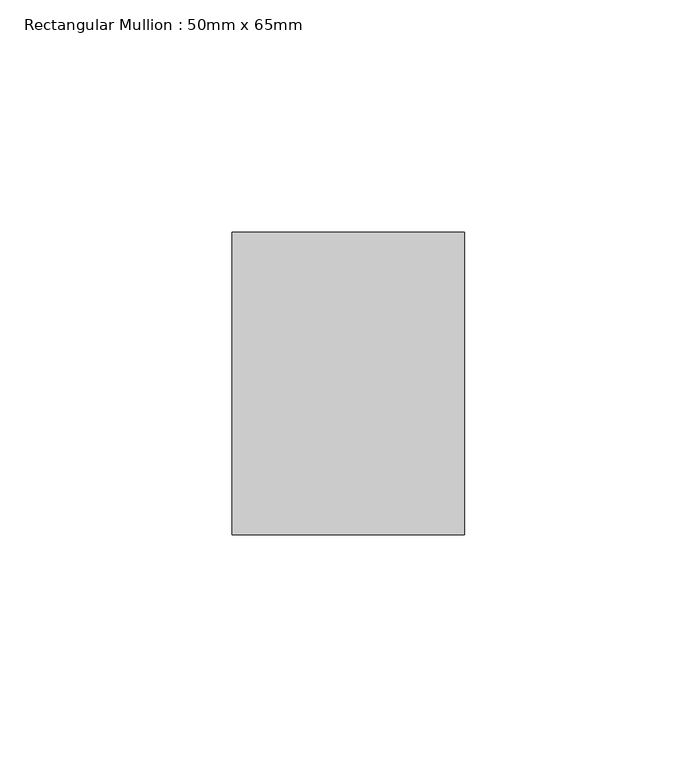
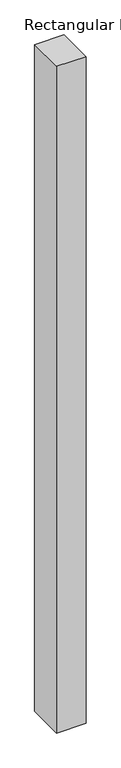
"""IFC4 building model written with IfcOpenShell, lengths in millimetres: member geometry, Rectangular Mullion : 50mm x 65mm."""

from ifc_helpers import new_model, si_unit, frame, origin, place, context, project, spatial, polyline, outline, extrude, source, transform, mapped, element, save


def rectangular_mullion_50mm_x_65mm_851ffc18(model_context):
    return source(origin(), model_context, "Body", "SweptSolid", [
        extrude(outline(polyline([(25.0, 32.5), (25.0, -32.5), (-25.0, -32.5), (-25.0, 32.5), (25.0, 32.5)])), frame((0.0, 0.0, -1205.179266), z_axis=(0.0, 0.0, 1.0), x_axis=(1.0, 0.0, 0.0)), (0.0, 0.0, 1.0), 1205.179266),
    ])


if __name__ == "__main__":
    model = new_model("IFC4")
    model_context = context("Model", 3, world=origin())
    ifc_project = project(units=[si_unit("LENGTHUNIT", "METRE", prefix="MILLI")], contexts=[model_context])
    site = spatial("IfcSite", under=ifc_project)
    building = spatial("IfcBuilding", under=site)
    placement = place(None, origin())
    rectangular_mullion_50mm_x_65mm_shape = rectangular_mullion_50mm_x_65mm_851ffc18(model_context)
    element("IfcMember", 1, ObjectType="Rectangular Mullion : 50mm x 65mm", at=placement, inside=building, context=model_context, shape_type="MappedRepresentation", body=[
        mapped(rectangular_mullion_50mm_x_65mm_shape, transform((0.0, 0.0, 0.0), x_axis=(1.0, 0.0, 0.0), y_axis=(0.0, 1.0, 0.0), z_axis=(0.0, 0.0, 1.0))),
    ])
    save(model, "model.ifc")
